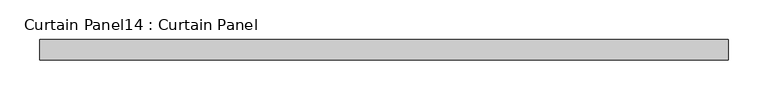
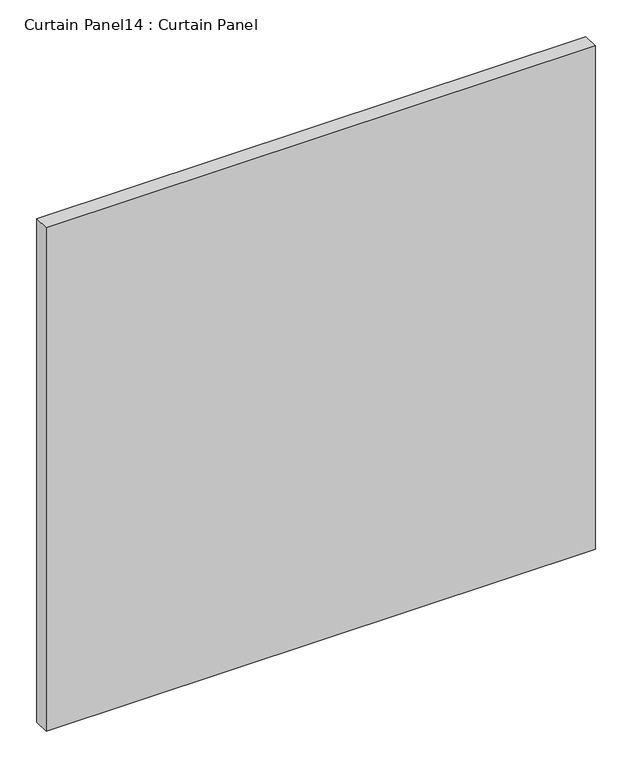
"""IFC4 building model written with IfcOpenShell, lengths in millimetres: plate geometry, Curtain Panel14 : Curtain Panel."""

from ifc_helpers import new_model, si_unit, frame, origin, place, context, project, spatial, polyline, outline, extrude, source, transform, mapped, element, save


def curtain_panel14_curtain_panel_ae5476fa(model_context):
    return source(origin(), model_context, "Body", "SweptSolid", [
        extrude(outline(polyline([(9654.2924629, 2827.780256), (8790.6926953, 2827.780256), (8790.6926953, 2853.180256), (9654.2924629, 2853.180256), (9654.2924629, 2827.780256)])), frame((0.0, 0.0, 1204.7803505), z_axis=(0.0, 0.0, 1.0), x_axis=(1.0, 0.0, 0.0)), (0.0, 0.0, 1.0), 837.0462759),
    ])


if __name__ == "__main__":
    model = new_model("IFC4")
    model_context = context("Model", 3, world=origin())
    ifc_project = project(units=[si_unit("LENGTHUNIT", "METRE", prefix="MILLI")], contexts=[model_context])
    site = spatial("IfcSite", under=ifc_project)
    building = spatial("IfcBuilding", under=site)
    placement = place(None, origin())
    curtain_panel14_curtain_panel_shape = curtain_panel14_curtain_panel_ae5476fa(model_context)
    element("IfcPlate", 1, ObjectType="Curtain Panel14 : Curtain Panel", at=placement, inside=building, context=model_context, shape_type="MappedRepresentation", body=[
        mapped(curtain_panel14_curtain_panel_shape, transform((0.0, 0.0, 0.0), x_axis=(1.0, 0.0, 0.0), y_axis=(0.0, 1.0, 0.0), z_axis=(0.0, 0.0, 1.0))),
    ])
    save(model, "model.ifc")
